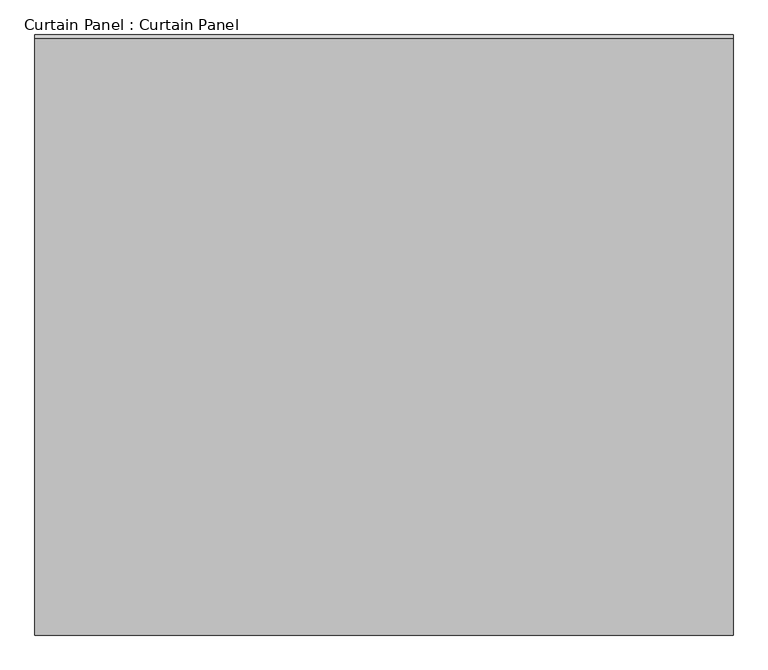
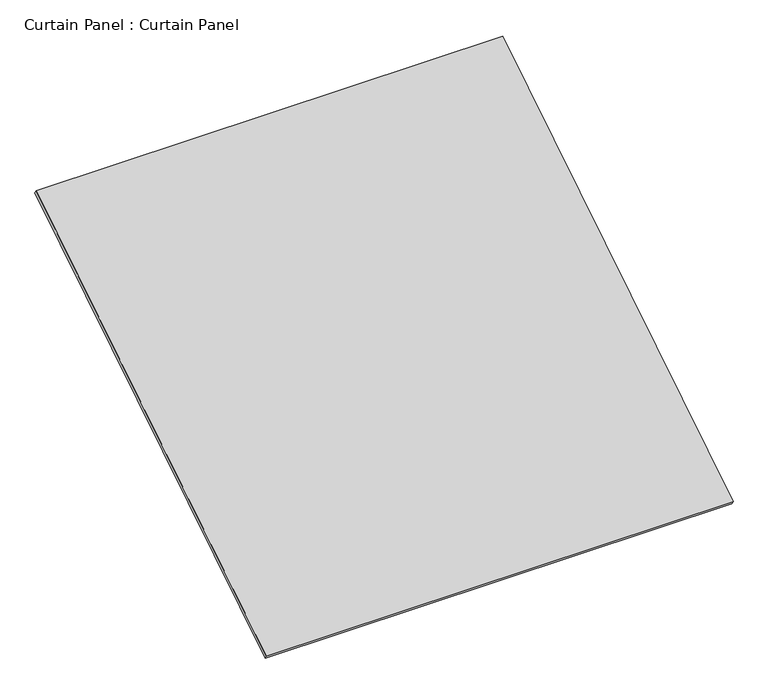
"""IFC4 building model written with IfcOpenShell, lengths in millimetres: plate geometry, Curtain Panel : Curtain Panel."""

import ifcopenshell
import ifcopenshell.guid

model = None  # the IFC model being written
_history = None  # IfcOwnerHistory: only IFC2X3 demands one
_inside = {}  # id of a spatial element -> (the spatial element, [elements in it])
_under = {}  # id of a project, library or spatial element -> (it, [spatial elements below it])
_declared = {}  # id of a project -> (the project, [libraries it declares])
_typed = {}  # id of a type object -> (the type object, [elements of that type])
_made_of = {}  # id of a material, layer set ... -> (it, [elements and type objects made of it])


def new_model(schema):
    """Start an empty IFC model of exactly this schema.

    Asked for "IFC4X3", IfcOpenShell would pick the latest addendum, in which some entities
    have other attributes; the version numbers below select the first issue.
    IFC2X3 requires an IfcOwnerHistory on every rooted entity: one is made here for all.
    """
    global model, _history
    if schema == "IFC4X3":
        model = ifcopenshell.file(schema_version=(4, 3, 0, 0))
    else:
        model = ifcopenshell.file(schema=schema)
    _inside.clear()
    _under.clear()
    _declared.clear()
    _typed.clear()
    _made_of.clear()
    _history = None
    if model.schema == "IFC2X3":
        org = make("IfcOrganization", Name="unknown")
        user = make(
            "IfcPersonAndOrganization",
            ThePerson=make("IfcPerson", FamilyName="unknown"),
            TheOrganization=org,
        )
        app = make(
            "IfcApplication",
            ApplicationDeveloper=org,
            Version="unknown",
            ApplicationFullName="unknown",
            ApplicationIdentifier="unknown",
        )
        _history = make(
            "IfcOwnerHistory",
            OwningUser=user,
            OwningApplication=app,
            ChangeAction="ADDED",
            CreationDate=0,
        )
    return model


def make(cls, **values):
    """One entity of the class cls with the attributes given. An attribute that is None is left unset."""
    return model.create_entity(
        cls, **{name: value for name, value in values.items() if value is not None}
    )


def rooted(cls, **values):
    """An entity with a GlobalId (a new one), such as an element, a storey or a relation."""
    return make(cls, GlobalId=ifcopenshell.guid.new(), OwnerHistory=_history, **values)


def si_unit(unit_type, name, prefix=None):
    """IfcSIUnit, for example si_unit("LENGTHUNIT", "METRE", prefix="MILLI")."""
    return make("IfcSIUnit", UnitType=unit_type, Prefix=prefix, Name=name)


def assignment(units):
    """IfcUnitAssignment: the units of a project."""
    return None if units is None else make("IfcUnitAssignment", Units=units)


def point(xyz):
    """IfcCartesianPoint."""
    return None if xyz is None else make("IfcCartesianPoint", Coordinates=xyz)


def direction(xyz):
    """IfcDirection."""
    return None if xyz is None else make("IfcDirection", DirectionRatios=xyz)


def frame(location, z_axis=None, x_axis=None):
    """IfcAxis2Placement3D, a coordinate frame: its origin and axes. An axis left out is left unset."""
    return make(
        "IfcAxis2Placement3D",
        Location=point(location),
        Axis=direction(z_axis),
        RefDirection=direction(x_axis),
    )


def origin():
    """The frame at (0, 0, 0) with its axes left unset."""
    return frame((0.0, 0.0, 0.0))


def place(relative_to, where):
    """IfcLocalPlacement: puts the frame where relative to a parent placement (None: the world)."""
    return make(
        "IfcLocalPlacement", PlacementRelTo=relative_to, RelativePlacement=where
    )


def context(
    kind, dimensions, precision=None, world=None, true_north=None, identifier=None
):
    """IfcGeometricRepresentationContext, for example the 3D "Model" context."""
    return make(
        "IfcGeometricRepresentationContext",
        ContextIdentifier=identifier,
        ContextType=kind,
        CoordinateSpaceDimension=dimensions,
        Precision=precision,
        WorldCoordinateSystem=world,
        TrueNorth=true_north,
    )


def project(units=None, contexts=None):
    """IfcProject with its units and contexts."""
    return rooted(
        "IfcProject",
        Name="project",
        RepresentationContexts=contexts,
        UnitsInContext=assignment(units),
    )


def spatial(cls, under=None, at=None, **own):
    """A site, building, storey or space (cls), placed at a placement, below another one or the project."""
    s = rooted(cls, ObjectPlacement=at, **own)
    if under is not None:
        _under.setdefault(under.id(), (under, []))[1].append(s)
    return s


def polyline(points):
    """IfcPolyline through the points."""
    return make("IfcPolyline", Points=[point(p) for p in points])


def outline(outer, holes=None, kind="AREA"):
    """IfcArbitraryClosedProfileDef: a profile drawn as a closed curve; with holes, ...WithVoids."""
    if holes is None:
        return make("IfcArbitraryClosedProfileDef", ProfileType=kind, OuterCurve=outer)
    return make(
        "IfcArbitraryProfileDefWithVoids",
        ProfileType=kind,
        OuterCurve=outer,
        InnerCurves=holes,
    )


def extrude(swept, where, along, depth):
    """IfcExtrudedAreaSolid: the profile swept, set in the frame where, extruded along a direction by depth."""
    return make(
        "IfcExtrudedAreaSolid",
        SweptArea=swept,
        Position=where,
        ExtrudedDirection=direction(along),
        Depth=depth,
    )


def shape(context_of_items, identifier, shape_type, items):
    """IfcShapeRepresentation: the items that make up one representation, for example the "Body"."""
    return make(
        "IfcShapeRepresentation",
        ContextOfItems=context_of_items,
        RepresentationIdentifier=identifier,
        RepresentationType=shape_type,
        Items=items,
    )


def source(mapping_origin, context_of_items, identifier, shape_type, items):
    """IfcRepresentationMap: a shape defined once, which mapped items show again and again."""
    return make(
        "IfcRepresentationMap",
        MappingOrigin=mapping_origin,
        MappedRepresentation=shape(context_of_items, identifier, shape_type, items),
    )


def transform(
    local_origin,
    x_axis=None,
    y_axis=None,
    z_axis=None,
    scale=None,
    scale2=None,
    scale3=None,
    uniform=True,
):
    """IfcCartesianTransformationOperator3D, or its non-uniform kind. x_axis, y_axis, z_axis: its Axis1, 2, 3."""
    if uniform:
        return make(
            "IfcCartesianTransformationOperator3D",
            Axis1=direction(x_axis),
            Axis2=direction(y_axis),
            LocalOrigin=point(local_origin),
            Scale=scale,
            Axis3=direction(z_axis),
        )
    return make(
        "IfcCartesianTransformationOperator3DnonUniform",
        Axis1=direction(x_axis),
        Axis2=direction(y_axis),
        LocalOrigin=point(local_origin),
        Scale=scale,
        Axis3=direction(z_axis),
        Scale2=scale2,
        Scale3=scale3,
    )


def mapped(mapping_source, mapping_target):
    """IfcMappedItem: shows the shape of a source again, moved by a transform."""
    return make(
        "IfcMappedItem", MappingSource=mapping_source, MappingTarget=mapping_target
    )


def made_of(thing, what):
    """Note that an element or type object is made of a material, layer set ...; save() writes the relation."""
    if what is not None:
        _made_of.setdefault(what.id(), (what, []))[1].append(thing)
    return thing


def element(
    cls,
    number,
    at=None,
    inside=None,
    cuts=None,
    type_object=None,
    material=None,
    context=None,
    identifier="Body",
    shape_type=None,
    held_by="IfcProductDefinitionShape",
    body=None,
    shapes=None,
    **own,
):
    """One element of the class cls, such as IfcWall. Its Tag is "e" and its number.

    at: its placement. inside: the storey or other place that contains it. cuts: it is an
    opening in that element (IfcRelVoidsElement). A single representation is given by context,
    identifier, shape_type and body (its items); several are given by shapes. held_by: the class
    of the entity that holds the representations. save() writes the other relations.
    """
    e = rooted(cls, Tag="e%d" % number, ObjectPlacement=at, **own)
    if body is not None:
        shapes = [shape(context, identifier, shape_type, body)]
    if shapes is not None:
        e.Representation = make(held_by, Representations=shapes)
    if inside is not None:
        _inside.setdefault(inside.id(), (inside, []))[1].append(e)
    if cuts is not None:
        rooted(
            "IfcRelVoidsElement", RelatingBuildingElement=cuts, RelatedOpeningElement=e
        )
    if type_object is not None:
        _typed.setdefault(type_object.id(), (type_object, []))[1].append(e)
    return made_of(e, material)


def aggregate(whole, parts):
    """IfcRelAggregates: a whole, such as a stair, and the parts it consists of."""
    return rooted("IfcRelAggregates", RelatingObject=whole, RelatedObjects=parts)


def save(model, path):
    """Write the relations noted so far, then the file.

    IfcRelAggregates (storeys below a building ...), IfcRelContainedInSpatialStructure (elements
    in a storey), IfcRelDefinesByType, IfcRelAssociatesMaterial and IfcRelDeclares: one each for
    every whole, place, type object, material and project.
    """
    for whole, parts in _under.values():
        aggregate(whole, parts)
    for where, things in _inside.values():
        rooted(
            "IfcRelContainedInSpatialStructure",
            RelatedElements=things,
            RelatingStructure=where,
        )
    for kind, things in _typed.values():
        rooted("IfcRelDefinesByType", RelatedObjects=things, RelatingType=kind)
    for what, things in _made_of.values():
        rooted("IfcRelAssociatesMaterial", RelatedObjects=things, RelatingMaterial=what)
    for by, libraries in _declared.values():
        rooted("IfcRelDeclares", RelatingContext=by, RelatedDefinitions=libraries)
    model.write(path)


def curtain_panel_curtain_panel_c611e649(model_context):
    return source(origin(), model_context, "Body", "SweptSolid", [
        extrude(outline(polyline([(-63.5, 0.0), (-63.5, -3013.0749999), (-3048.0, -3013.0749999), (-3048.0, 0.0), (-63.5, 0.0)])), frame((-123766.6430895, 1236.2760673, 10424.4040613), z_axis=(0.0, -0.5318918435658209, 0.8468122972348432), x_axis=(-1.0, 0.0, 0.0)), (0.0, 0.0, 1.0), 25.4),
    ])


if __name__ == "__main__":
    model = new_model("IFC4")
    model_context = context("Model", 3, world=origin())
    ifc_project = project(units=[si_unit("LENGTHUNIT", "METRE", prefix="MILLI")], contexts=[model_context])
    site = spatial("IfcSite", under=ifc_project)
    building = spatial("IfcBuilding", under=site)
    placement = place(None, origin())
    curtain_panel_curtain_panel_shape = curtain_panel_curtain_panel_c611e649(model_context)
    element("IfcPlate", 1, ObjectType="Curtain Panel : Curtain Panel", at=placement, inside=building, context=model_context, shape_type="MappedRepresentation", body=[
        mapped(curtain_panel_curtain_panel_shape, transform((0.0, 0.0, 0.0), x_axis=(1.0, 0.0, 0.0), y_axis=(0.0, 1.0, 0.0), z_axis=(0.0, 0.0, 1.0))),
    ])
    save(model, "model.ifc")
